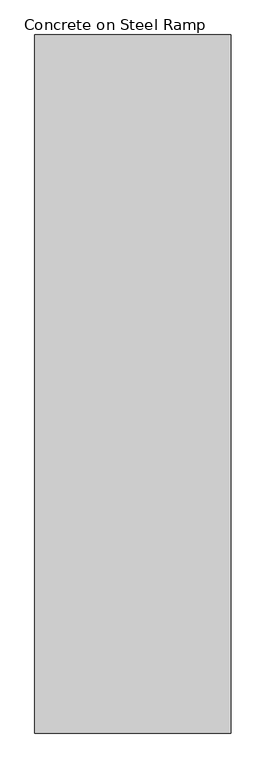
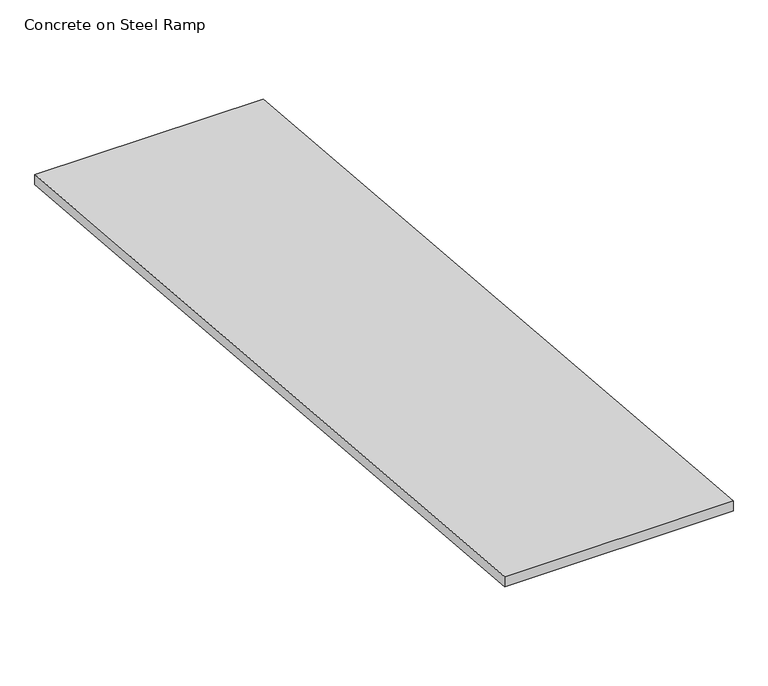
"""IFC4 building model written with IfcOpenShell, lengths in millimetres: ramp geometry, Concrete on Steel Ramp."""

from ifc_helpers import new_model, si_unit, frame, origin, place, context, project, spatial, polyline, outline, extrude, source, transform, mapped, element, save


def concrete_on_steel_ramp_c49bc739(model_context):
    return source(origin(), model_context, "Body", "SweptSolid", [
        extrude(outline(polyline([(174957.4898046, 497.1520833), (180923.3148046, 0.0), (180923.3148046, -76.4641256), (174957.4898046, 420.6879578), (174957.4898046, 497.1520833)])), frame((-232647.9265136, 0.0, 0.0), z_axis=(1.0, 0.0, 0.0), x_axis=(0.0, 1.0, 0.0)), (0.0, 0.0, 1.0), 1676.4),
    ])


if __name__ == "__main__":
    model = new_model("IFC4")
    model_context = context("Model", 3, world=origin())
    ifc_project = project(units=[si_unit("LENGTHUNIT", "METRE", prefix="MILLI")], contexts=[model_context])
    site = spatial("IfcSite", under=ifc_project)
    building = spatial("IfcBuilding", under=site)
    placement = place(None, origin())
    concrete_on_steel_ramp_shape = concrete_on_steel_ramp_c49bc739(model_context)
    element("IfcRamp", 1, ObjectType="Concrete on Steel Ramp", at=placement, inside=building, context=model_context, shape_type="MappedRepresentation", body=[
        mapped(concrete_on_steel_ramp_shape, transform((0.0, 0.0, 0.0), x_axis=(1.0, 0.0, 0.0), y_axis=(0.0, 1.0, 0.0), z_axis=(0.0, 0.0, 1.0))),
    ])
    save(model, "model.ifc")
